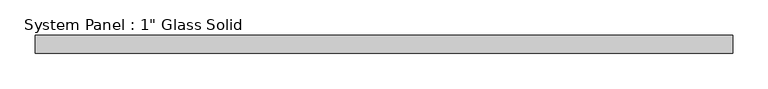
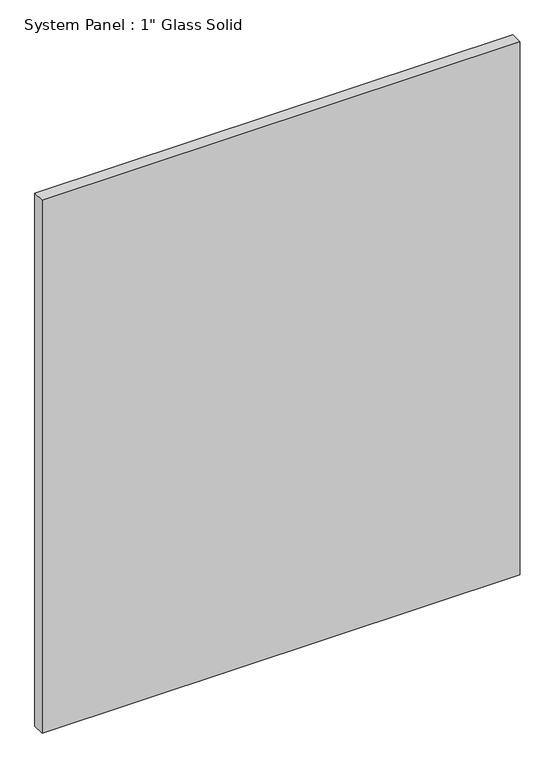
"""IFC4 building model written with IfcOpenShell, lengths in millimetres: plate geometry."""

from ifc_helpers import new_model, si_unit, origin, origin_with_axes, place, context, project, spatial, polyline, outline, extrude, source, transform, mapped, element, save


def plate_551e1a77(model_context):
    return source(origin(), model_context, "Body", "SweptSolid", [
        extrude(outline(polyline([(492.125, -12.7), (-492.125, -12.7), (-492.125, 12.7), (492.125, 12.7), (492.125, -12.7)])), origin_with_axes(), (0.0, 0.0, 1.0), 1158.8767704),
    ])


if __name__ == "__main__":
    model = new_model("IFC4")
    model_context = context("Model", 3, world=origin())
    ifc_project = project(units=[si_unit("LENGTHUNIT", "METRE", prefix="MILLI")], contexts=[model_context])
    site = spatial("IfcSite", under=ifc_project)
    building = spatial("IfcBuilding", under=site)
    placement = place(None, origin())
    plate_shape = plate_551e1a77(model_context)
    element("IfcPlate", 1, ObjectType="System Panel : 1\" Glass Solid", at=placement, inside=building, context=model_context, shape_type="MappedRepresentation", body=[
        mapped(plate_shape, transform((0.0, 0.0, 0.0), x_axis=(1.0, 0.0, 0.0), y_axis=(0.0, 1.0, 0.0), z_axis=(0.0, 0.0, 1.0))),
    ])
    save(model, "model.ifc")
